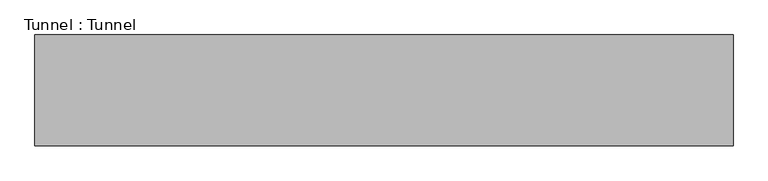
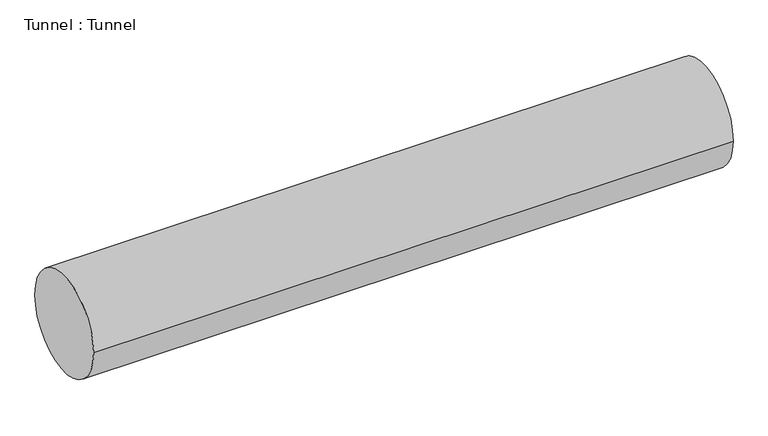
"""IFC4 building model written with IfcOpenShell, lengths in millimetres: proxy geometry, Tunnel : Tunnel."""

from ifc_helpers import new_model, si_unit, point, frame, frame_2d, origin, place, context, project, spatial, circle_curve, trimmed, segment, composite_curve, outline, extrude, source, transform, mapped, element, save


def tunnel_tunnel_7695abd0(model_context):
    return source(origin(), model_context, "Body", "SweptSolid", [
        extrude(outline(composite_curve([segment(trimmed(circle_curve(frame_2d((579.7529598, 2179.5330693)), 750.0), [point((1329.7529598, 2179.5330693))], [point((-170.2470402, 2179.5330693))], False, "CARTESIAN"), True, "CONTINUOUS"), segment(trimmed(circle_curve(frame_2d((579.7529598, 2179.5330693)), 750.0), [point((-170.2470402, 2179.5330693))], [point((1329.7529598, 2179.5330693))], False, "CARTESIAN"), True, "CONTINUOUS")], self_intersect=False)), frame((-6742.4502901, 0.0, 0.0), z_axis=(1.0, 0.0, 0.0), x_axis=(0.0, 1.0, 0.0)), (0.0, 0.0, 1.0), 9432.6803812),
    ])


if __name__ == "__main__":
    model = new_model("IFC4")
    model_context = context("Model", 3, world=origin())
    ifc_project = project(units=[si_unit("LENGTHUNIT", "METRE", prefix="MILLI")], contexts=[model_context])
    site = spatial("IfcSite", under=ifc_project)
    building = spatial("IfcBuilding", under=site)
    placement = place(None, origin())
    tunnel_tunnel_shape = tunnel_tunnel_7695abd0(model_context)
    element("IfcBuildingElementProxy", 1, Name="Tunnel : Tunnel", ObjectType="Tunnel : Tunnel", at=placement, inside=building, context=model_context, shape_type="MappedRepresentation", body=[
        mapped(tunnel_tunnel_shape, transform((0.0, 0.0, 0.0), x_axis=(1.0, 0.0, 0.0), y_axis=(0.0, 1.0, 0.0), z_axis=(0.0, 0.0, 1.0))),
    ])
    save(model, "model.ifc")
